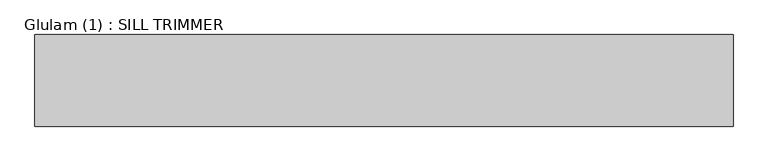
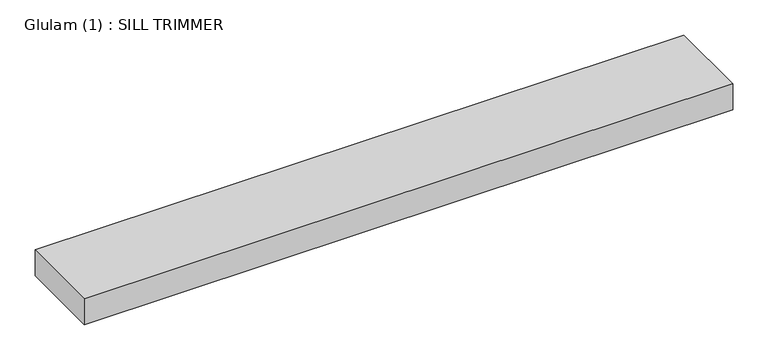
"""IFC4 building model written with IfcOpenShell, lengths in millimetres: beam geometry, Glulam (1) : SILL TRIMMER."""

from ifc_helpers import new_model, si_unit, frame, origin, place, context, project, spatial, polyline, outline, extrude, source, transform, mapped, element, save


def glulam_1_sill_trimmer_441db2b9(model_context):
    return source(origin(), model_context, "Body", "SweptSolid", [
        extrude(outline(polyline([(531.5, 70.0), (531.5, -70.0), (-535.5, -70.0), (-535.5, 70.0), (531.5, 70.0)])), frame((0.0, 0.0, -22.5), z_axis=(0.0, 0.0, 1.0), x_axis=(1.0, 0.0, 0.0)), (0.0, 0.0, 1.0), 45.0),
    ])


if __name__ == "__main__":
    model = new_model("IFC4")
    model_context = context("Model", 3, world=origin())
    ifc_project = project(units=[si_unit("LENGTHUNIT", "METRE", prefix="MILLI")], contexts=[model_context])
    site = spatial("IfcSite", under=ifc_project)
    building = spatial("IfcBuilding", under=site)
    placement = place(None, origin())
    glulam_1_sill_trimmer_shape = glulam_1_sill_trimmer_441db2b9(model_context)
    element("IfcBeam", 1, ObjectType="Glulam (1) : SILL TRIMMER", at=placement, inside=building, context=model_context, shape_type="MappedRepresentation", body=[
        mapped(glulam_1_sill_trimmer_shape, transform((0.0, 0.0, 0.0), x_axis=(1.0, 0.0, 0.0), y_axis=(0.0, 1.0, 0.0), z_axis=(0.0, 0.0, 1.0))),
    ])
    save(model, "model.ifc")
